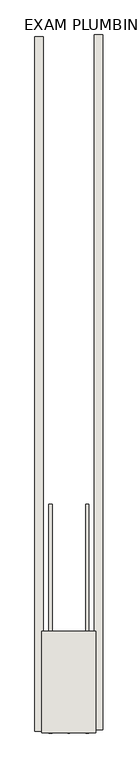
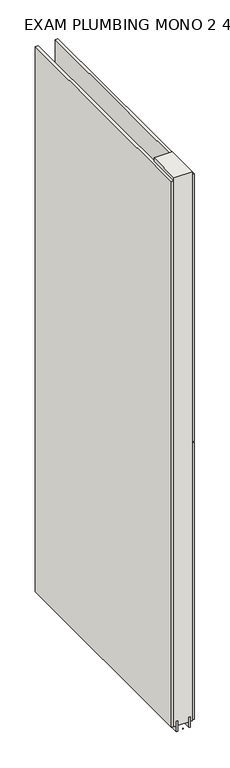
"""IFC4 building model written with IfcOpenShell, lengths in millimetres: wall geometry, EXAM PLUMBING MONO 2 475664 : EXAM PLUMBING MONO 2 475664."""

from ifc_helpers import new_model, si_unit, frame, origin, place, context, project, spatial, polyline, outline, extrude, source, transform, mapped, element, save


def exam_plumbing_mono_2_475664_exam_plumbing_mono_2_475664_7f8260d6(model_context):
    return source(origin(), model_context, "Body", "SweptSolid", [
        extrude(outline(polyline([(57408.482211, -54518.4347272), (57408.482211, -54520.9747272), (57405.942211, -54520.9747272), (57405.942211, -54518.4347272), (57408.482211, -54518.4347272)])), frame((0.0, 0.0, 4419.6), z_axis=(0.0, 0.0, 1.0), x_axis=(1.0, 0.0, 0.0)), (0.0, 0.0, 1.0), 2.54),
        extrude(outline(polyline([(57356.412211, -54518.9771696), (57356.412211, -53477.680446), (57369.112211, -53477.680446), (57369.112211, -54518.9771696), (57356.412211, -54518.9771696)])), frame((0.0, 0.0, 4445.0), z_axis=(0.0, 0.0, 1.0), x_axis=(1.0, 0.0, 0.0)), (0.0, 0.0, 1.0), 2545.0498756),
        extrude(outline(polyline([(57458.012211, -53475.2123788), (57458.012211, -54516.5091024), (57445.312211, -54516.5091024), (57445.312211, -53475.2123788), (57458.012211, -53475.2123788)])), frame((0.0, 0.0, 4445.0), z_axis=(0.0, 0.0, 1.0), x_axis=(1.0, 0.0, 0.0)), (0.0, 0.0, 1.0), 1293.400004),
        extrude(outline(polyline([(57458.012211, -53475.2123788), (57458.012211, -54516.5091024), (57445.312211, -54516.5091024), (57445.312211, -53475.2123788), (57458.012211, -53475.2123788)])), frame((0.0, 0.0, 5742.4000722), z_axis=(0.0, 0.0, 1.0), x_axis=(1.0, 0.0, 0.0)), (0.0, 0.0, 1.0), 1247.649905),
        extrude(outline(polyline([(57382.1284664, -54178.0759718), (57382.1284664, -54520.9759718), (57377.049711, -54520.9759718), (57377.049711, -54178.0759718), (57382.1284664, -54178.0759718)])), frame((0.0, 0.0, 4418.6602), z_axis=(0.0, 0.0, 1.0), x_axis=(1.0, 0.0, 0.0)), (0.0, 0.0, 1.0), 47.625),
        extrude(outline(polyline([(57382.1284664, -54178.0759718), (57382.1284664, -54520.9759718), (57377.049711, -54520.9759718), (57377.049711, -54178.0759718), (57382.1284664, -54178.0759718)])), frame((0.0, 0.0, 4418.6602), z_axis=(0.0, 0.0, 1.0), x_axis=(1.0, 0.0, 0.0)), (0.0, 0.0, 1.0), 47.625),
        extrude(outline(polyline([(57432.2959556, -54520.9759718), (57432.2959556, -54178.0759718), (57437.374711, -54178.0759718), (57437.374711, -54520.9759718), (57432.2959556, -54520.9759718)])), frame((0.0, 0.0, 4418.6602), z_axis=(0.0, 0.0, 1.0), x_axis=(1.0, 0.0, 0.0)), (0.0, 0.0, 1.0), 47.625),
        extrude(outline(polyline([(57432.2959556, -54520.9759718), (57432.2959556, -54178.0759718), (57437.374711, -54178.0759718), (57437.374711, -54520.9759718), (57432.2959556, -54520.9759718)])), frame((0.0, 0.0, 4418.6602), z_axis=(0.0, 0.0, 1.0), x_axis=(1.0, 0.0, 0.0)), (0.0, 0.0, 1.0), 47.625),
        extrude(outline(polyline([(57366.5573266, -54368.5759718), (57447.8670954, -54368.5759718), (57447.8670954, -54520.9759718), (57366.5573266, -54520.9759718), (57366.5573266, -54368.5759718)])), frame((0.0, 0.0, 4445.0), z_axis=(0.0, 0.0, 1.0), x_axis=(1.0, 0.0, 0.0)), (0.0, 0.0, 1.0), 2562.4536762),
    ])


if __name__ == "__main__":
    model = new_model("IFC4")
    model_context = context("Model", 3, world=origin())
    ifc_project = project(units=[si_unit("LENGTHUNIT", "METRE", prefix="MILLI")], contexts=[model_context])
    site = spatial("IfcSite", under=ifc_project)
    building = spatial("IfcBuilding", under=site)
    placement = place(None, origin())
    exam_plumbing_mono_2_475664_exam_plumbing_mono_2_475664_shape = exam_plumbing_mono_2_475664_exam_plumbing_mono_2_475664_7f8260d6(model_context)
    element("IfcWall", 1, ObjectType="EXAM PLUMBING MONO 2 475664 : EXAM PLUMBING MONO 2 475664", at=placement, inside=building, context=model_context, shape_type="MappedRepresentation", body=[
        mapped(exam_plumbing_mono_2_475664_exam_plumbing_mono_2_475664_shape, transform((0.0, 0.0, 0.0), x_axis=(1.0, 0.0, 0.0), y_axis=(0.0, 1.0, 0.0), z_axis=(0.0, 0.0, 1.0))),
    ])
    save(model, "model.ifc")
